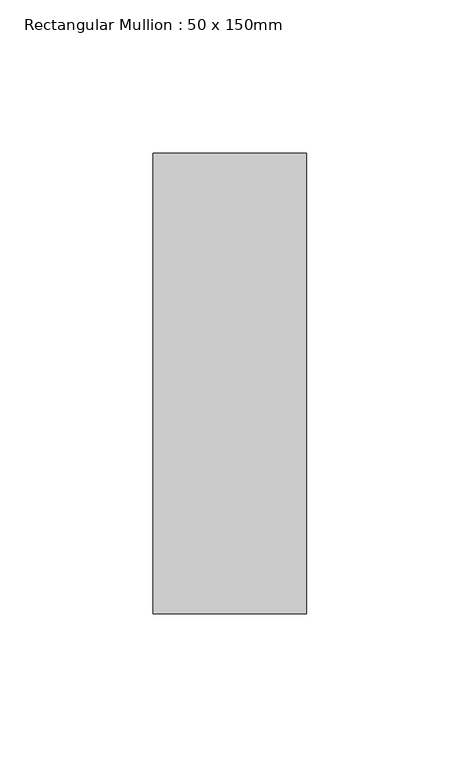
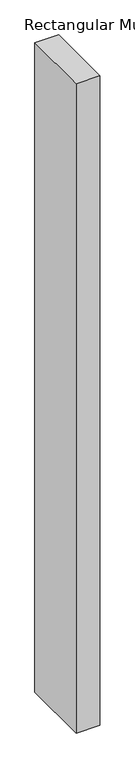
"""IFC4 building model written with IfcOpenShell, lengths in millimetres: member geometry, Rectangular Mullion : 50 x 150mm."""

from ifc_helpers import new_model, si_unit, frame, origin, place, context, project, spatial, polyline, outline, extrude, source, transform, mapped, element, save


def rectangular_mullion_50_x_150mm_a364f68c(model_context):
    return source(origin(), model_context, "Body", "SweptSolid", [
        extrude(outline(polyline([(0.0, 75.0), (0.0, -75.0), (-50.0, -75.0), (-50.0, 75.0), (0.0, 75.0)])), frame((0.0, 0.0, -1442.1052632), z_axis=(0.0, 0.0, 1.0), x_axis=(1.0, 0.0, 0.0)), (0.0, 0.0, 1.0), 1442.1052632),
    ])


if __name__ == "__main__":
    model = new_model("IFC4")
    model_context = context("Model", 3, world=origin())
    ifc_project = project(units=[si_unit("LENGTHUNIT", "METRE", prefix="MILLI")], contexts=[model_context])
    site = spatial("IfcSite", under=ifc_project)
    building = spatial("IfcBuilding", under=site)
    placement = place(None, origin())
    rectangular_mullion_50_x_150mm_shape = rectangular_mullion_50_x_150mm_a364f68c(model_context)
    element("IfcMember", 1, ObjectType="Rectangular Mullion : 50 x 150mm", at=placement, inside=building, context=model_context, shape_type="MappedRepresentation", body=[
        mapped(rectangular_mullion_50_x_150mm_shape, transform((0.0, 0.0, 0.0), x_axis=(1.0, 0.0, 0.0), y_axis=(0.0, 1.0, 0.0), z_axis=(0.0, 0.0, 1.0))),
    ])
    save(model, "model.ifc")
